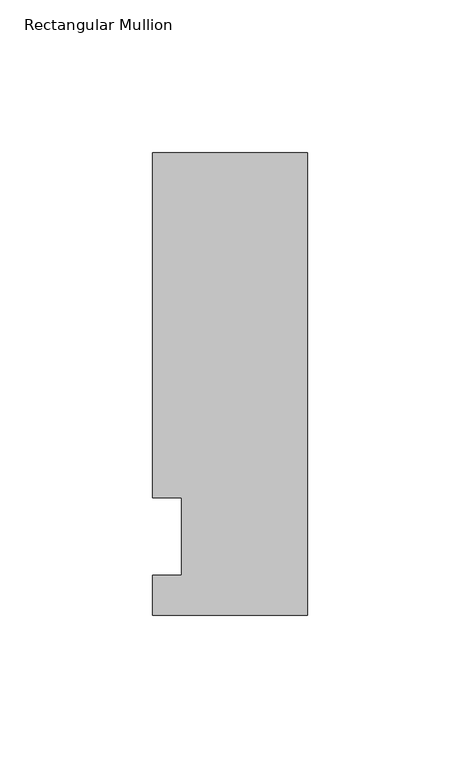
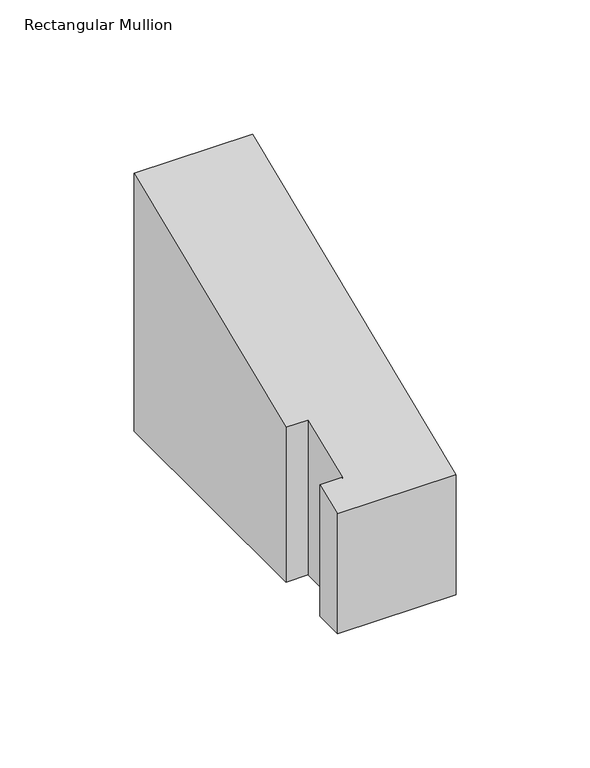
"""IFC4 building model written with IfcOpenShell, lengths in millimetres: member geometry, Rectangular Mullion."""

from ifc_helpers import new_model, si_unit, origin, place, context, project, spatial, faceted_brep, source, transform, mapped, element, save


def rectangular_mullion_c79d6e6d(model_context):
    return source(origin(), model_context, "Body", "Brep", [
        faceted_brep([(-50.8, -25.7961253, -65.0875), (-50.8, -12.7, -65.0875), (-41.275, -12.7, -65.0875), (-41.275, 12.7, -65.0875), (-50.8, 12.7, -65.0875), (-50.8, 125.8036906, -65.0875), (0.0, 125.8036906, -65.0875), (0.0, -25.7961253, -65.0875), (0.0, -25.7961253, -10.685105), (-50.8, -25.7961253, -10.685105), (0.0, 125.8036906, 52.1095948), (-50.8, 125.8036906, 52.1095948), (-50.8, 12.7, 5.2605122), (-41.275, 12.7, 5.2605122), (-41.275, -12.7, -5.2605122), (-50.8, -12.7, -5.2605122)], [[[0, 1, 2, 3, 4, 5, 6, 7]], [[8, 9, 0, 7]], [[10, 8, 7, 6]], [[11, 10, 6, 5]], [[12, 11, 5, 4]], [[13, 12, 4, 3]], [[14, 13, 3, 2]], [[15, 14, 2, 1]], [[9, 15, 1, 0]], [[9, 8, 10, 11, 12, 13, 14, 15]]]),
    ])


if __name__ == "__main__":
    model = new_model("IFC4")
    model_context = context("Model", 3, world=origin())
    ifc_project = project(units=[si_unit("LENGTHUNIT", "METRE", prefix="MILLI")], contexts=[model_context])
    site = spatial("IfcSite", under=ifc_project)
    building = spatial("IfcBuilding", under=site)
    placement = place(None, origin())
    rectangular_mullion_shape = rectangular_mullion_c79d6e6d(model_context)
    element("IfcMember", 1, ObjectType="Rectangular Mullion", at=placement, inside=building, context=model_context, shape_type="MappedRepresentation", body=[
        mapped(rectangular_mullion_shape, transform((0.0, 0.0, 0.0), x_axis=(1.0, 0.0, 0.0), y_axis=(0.0, 1.0, 0.0), z_axis=(0.0, 0.0, 1.0))),
    ])
    save(model, "model.ifc")
